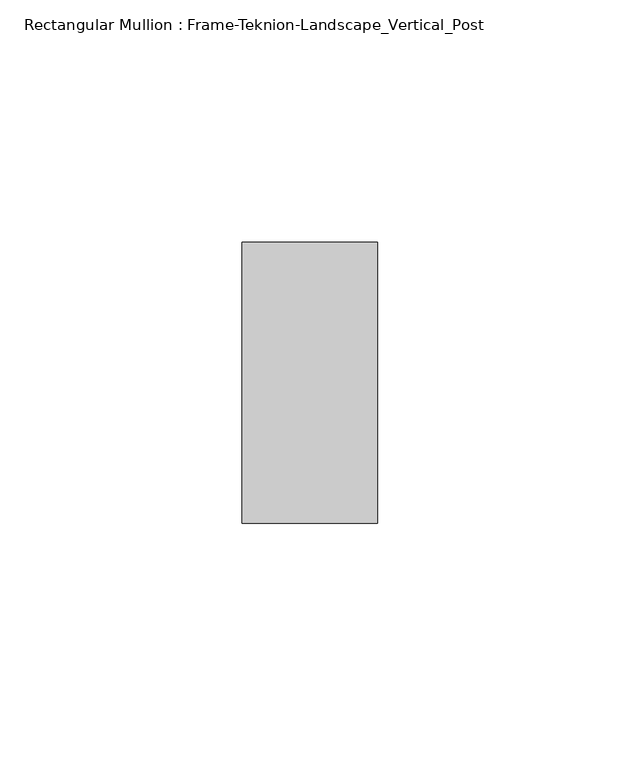
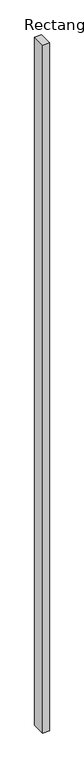
"""IFC4 building model written with IfcOpenShell, lengths in millimetres: member geometry, Rectangular Mullion : Frame-Teknion-Landscape_Vertical_Post."""

from ifc_helpers import new_model, si_unit, frame, origin, place, context, project, spatial, polyline, outline, extrude, source, transform, mapped, element, save


def rectangular_mullion_frame_teknion_landscape_vertical_post_1fa3a907(model_context):
    return source(origin(), model_context, "Body", "SweptSolid", [
        extrude(outline(polyline([(0.0, 28.971875), (0.0, -28.971875), (-27.9796875, -28.971875), (-27.9796875, 28.971875), (0.0, 28.971875)])), frame((0.0, 0.0, -3048.0), z_axis=(0.0, 0.0, 1.0), x_axis=(1.0, 0.0, 0.0)), (0.0, 0.0, 1.0), 3048.0),
    ])


if __name__ == "__main__":
    model = new_model("IFC4")
    model_context = context("Model", 3, world=origin())
    ifc_project = project(units=[si_unit("LENGTHUNIT", "METRE", prefix="MILLI")], contexts=[model_context])
    site = spatial("IfcSite", under=ifc_project)
    building = spatial("IfcBuilding", under=site)
    placement = place(None, origin())
    rectangular_mullion_frame_teknion_landscape_vertical_post_shape = rectangular_mullion_frame_teknion_landscape_vertical_post_1fa3a907(model_context)
    element("IfcMember", 1, ObjectType="Rectangular Mullion : Frame-Teknion-Landscape_Vertical_Post", at=placement, inside=building, context=model_context, shape_type="MappedRepresentation", body=[
        mapped(rectangular_mullion_frame_teknion_landscape_vertical_post_shape, transform((0.0, 0.0, 0.0), x_axis=(1.0, 0.0, 0.0), y_axis=(0.0, 1.0, 0.0), z_axis=(0.0, 0.0, 1.0))),
    ])
    save(model, "model.ifc")
